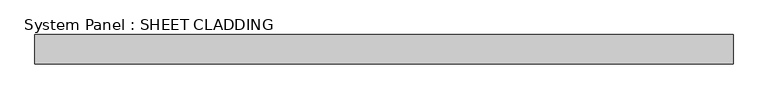
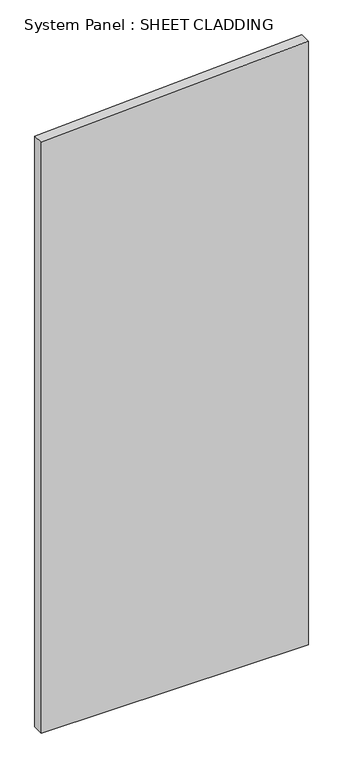
"""IFC4 building model written with IfcOpenShell, lengths in millimetres: plate geometry, System Panel : SHEET CLADDING."""

from ifc_helpers import new_model, si_unit, frame, origin, place, context, project, spatial, polyline, outline, extrude, source, transform, mapped, element, save


def system_panel_sheet_cladding_f11b4892(model_context):
    return source(origin(), model_context, "Body", "SweptSolid", [
        extrude(outline(polyline([(0.0, -718.75), (0.0, 718.75), (3431.975, 718.75), (3360.1, -718.75), (0.0, -718.75)])), frame((0.0, -49.5, 0.0), z_axis=(0.0, 1.0, 0.0), x_axis=(0.0, 0.0, 1.0)), (0.0, 0.0, 1.0), 60.0),
    ])


if __name__ == "__main__":
    model = new_model("IFC4")
    model_context = context("Model", 3, world=origin())
    ifc_project = project(units=[si_unit("LENGTHUNIT", "METRE", prefix="MILLI")], contexts=[model_context])
    site = spatial("IfcSite", under=ifc_project)
    building = spatial("IfcBuilding", under=site)
    placement = place(None, origin())
    system_panel_sheet_cladding_shape = system_panel_sheet_cladding_f11b4892(model_context)
    element("IfcPlate", 1, ObjectType="System Panel : SHEET CLADDING", at=placement, inside=building, context=model_context, shape_type="MappedRepresentation", body=[
        mapped(system_panel_sheet_cladding_shape, transform((0.0, 0.0, 0.0), x_axis=(1.0, 0.0, 0.0), y_axis=(0.0, 1.0, 0.0), z_axis=(0.0, 0.0, 1.0))),
    ])
    save(model, "model.ifc")
